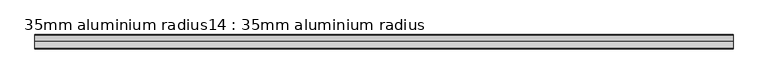
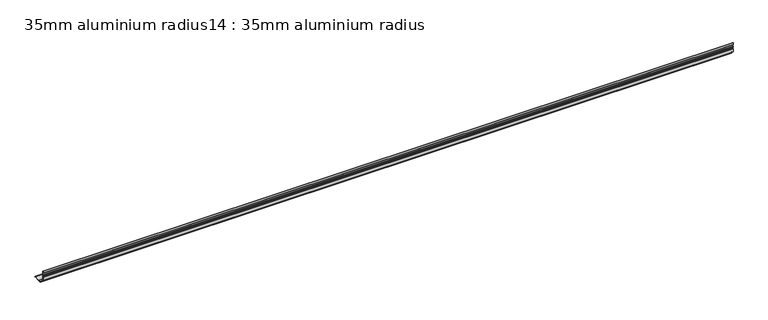
"""IFC4 building model written with IfcOpenShell, lengths in millimetres: proxy geometry, 35mm aluminium radius14 : 35mm aluminium radius."""

from ifc_helpers import new_model, si_unit, point, frame, frame_2d, origin, place, context, project, spatial, polyline, circle_curve, trimmed, segment, composite_curve, outline, extrude, source, transform, mapped, element, save


def proxy_35mm_aluminium_radius14_35mm_aluminium_radius_90661109(model_context):
    return source(origin(), model_context, "Body", "SweptSolid", [
        extrude(outline(composite_curve([segment(polyline([(-8675.7538557, 16.5750006), (-8675.7538557, 27.7875), (-8674.8988557, 28.6425), (-8674.8988557, 32.7825), (-8675.7538557, 33.6375), (-8675.7538557, 36.075), (-8674.8988557, 36.93), (-8674.8988557, 41.07), (-8675.7538557, 41.925), (-8675.7538557, 48.75)]), True, "CONTINUOUS"), segment(trimmed(circle_curve(frame_2d((-8675.7538557, 47.45)), 1.3), [point((-8675.7538557, 48.75))], [point((-8674.4538557, 47.45))], False, "CARTESIAN"), True, "CONTINUOUS"), segment(polyline([(-8674.4538557, 47.45), (-8674.4538557, 25.675)]), True, "CONTINUOUS"), segment(trimmed(circle_curve(frame_2d((-8650.0788557, 25.675)), 24.375), [point((-8674.4538557, 25.675))], [point((-8650.0788557, 1.3))], True, "CARTESIAN"), True, "CONTINUOUS"), segment(polyline([(-8650.0788557, 1.3), (-8628.3038557, 1.3)]), True, "CONTINUOUS"), segment(trimmed(circle_curve(frame_2d((-8628.3038557, 0.0)), 1.3), [point((-8628.3038557, 1.3))], [point((-8627.0038557, 0.0))], False, "CARTESIAN"), True, "CONTINUOUS"), segment(polyline([(-8627.0038557, 0.0), (-8633.8288557, 0.0), (-8634.6838557, 0.855), (-8638.8238557, 0.855), (-8639.6788557, 0.0), (-8642.1163557, 0.0), (-8642.9713557, 0.855), (-8647.1113557, 0.855), (-8647.9663557, 0.0), (-8659.1788551, 0.0)]), True, "CONTINUOUS"), segment(trimmed(circle_curve(frame_2d((-8663.0291694, -0.6205482)), 3.9), [point((-8659.1788551, 0.0))], [point((-8661.1702452, 2.807921))], True, "CARTESIAN"), True, "CONTINUOUS"), segment(trimmed(circle_curve(frame_2d((-8650.0788557, 25.675)), 25.415), [point((-8661.1702452, 2.807921))], [point((-8672.9459348, 14.5836105))], False, "CARTESIAN"), True, "CONTINUOUS"), segment(trimmed(circle_curve(frame_2d((-8676.3744039, 12.7246863)), 3.9), [point((-8672.9459348, 14.5836105))], [point((-8675.7538557, 16.5750006))], True, "CARTESIAN"), True, "CONTINUOUS")], self_intersect=False)), frame((9564.6309284, 0.0, 0.0), z_axis=(1.0, 0.0, 0.0), x_axis=(0.0, 1.0, 0.0)), (0.0, 0.0, 1.0), 2400.0),
    ])


if __name__ == "__main__":
    model = new_model("IFC4")
    model_context = context("Model", 3, world=origin())
    ifc_project = project(units=[si_unit("LENGTHUNIT", "METRE", prefix="MILLI")], contexts=[model_context])
    site = spatial("IfcSite", under=ifc_project)
    building = spatial("IfcBuilding", under=site)
    placement = place(None, origin())
    proxy_35mm_aluminium_radius14_35mm_aluminium_radius_shape = proxy_35mm_aluminium_radius14_35mm_aluminium_radius_90661109(model_context)
    element("IfcBuildingElementProxy", 1, Name="35mm aluminium radius14 : 35mm aluminium radius", ObjectType="35mm aluminium radius14 : 35mm aluminium radius", at=placement, inside=building, context=model_context, shape_type="MappedRepresentation", body=[
        mapped(proxy_35mm_aluminium_radius14_35mm_aluminium_radius_shape, transform((0.0, 0.0, 0.0), x_axis=(1.0, 0.0, 0.0), y_axis=(0.0, 1.0, 0.0), z_axis=(0.0, 0.0, 1.0))),
    ])
    save(model, "model.ifc")
